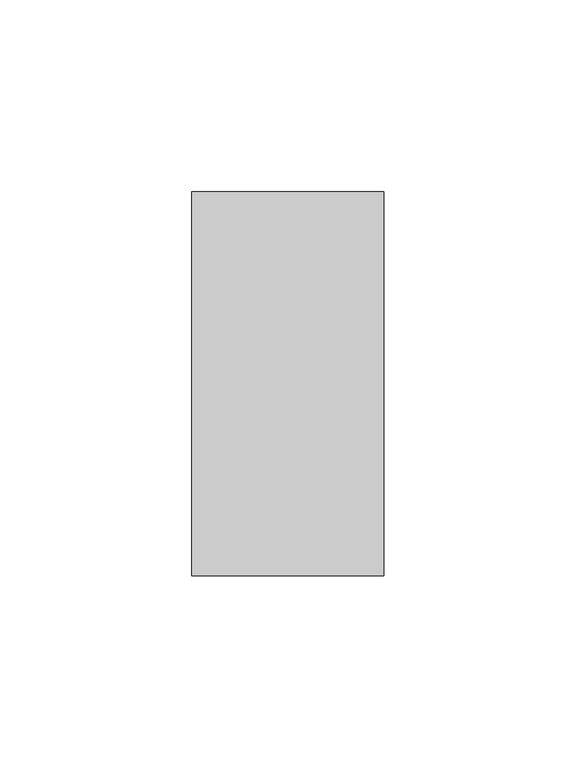
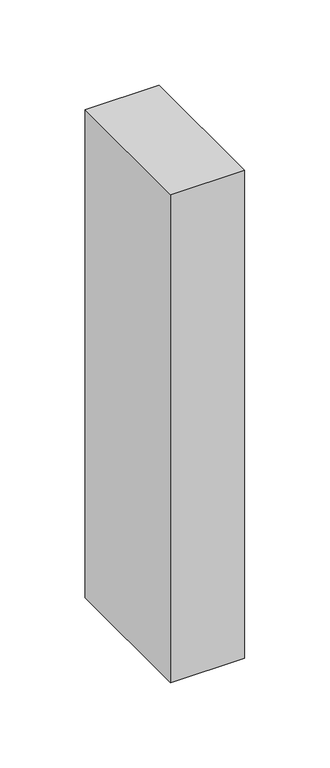
"""IFC4 building model written with IfcOpenShell, lengths in millimetres: member geometry."""

from ifc_helpers import new_model, si_unit, frame, origin, place, context, project, spatial, polyline, outline, extrude, source, transform, mapped, element, save


def member_30f1324c(model_context):
    return source(origin(), model_context, "Body", "SweptSolid", [
        extrude(outline(polyline([(0.0, 50.0), (0.0, -50.0), (-50.0, -50.0), (-50.0, 50.0), (0.0, 50.0)])), frame((0.0, 0.0, -348.3248819), z_axis=(0.0, 0.0, 1.0), x_axis=(1.0, 0.0, 0.0)), (0.0, 0.0, 1.0), 348.3248819),
    ])


if __name__ == "__main__":
    model = new_model("IFC4")
    model_context = context("Model", 3, world=origin())
    ifc_project = project(units=[si_unit("LENGTHUNIT", "METRE", prefix="MILLI")], contexts=[model_context])
    site = spatial("IfcSite", under=ifc_project)
    building = spatial("IfcBuilding", under=site)
    placement = place(None, origin())
    member_shape = member_30f1324c(model_context)
    element("IfcMember", 1, at=placement, inside=building, context=model_context, shape_type="MappedRepresentation", body=[
        mapped(member_shape, transform((0.0, 0.0, 0.0), x_axis=(1.0, 0.0, 0.0), y_axis=(0.0, 1.0, 0.0), z_axis=(0.0, 0.0, 1.0))),
    ])
    save(model, "model.ifc")
